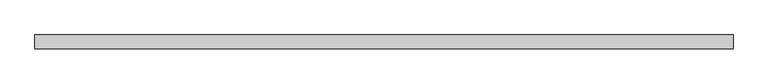
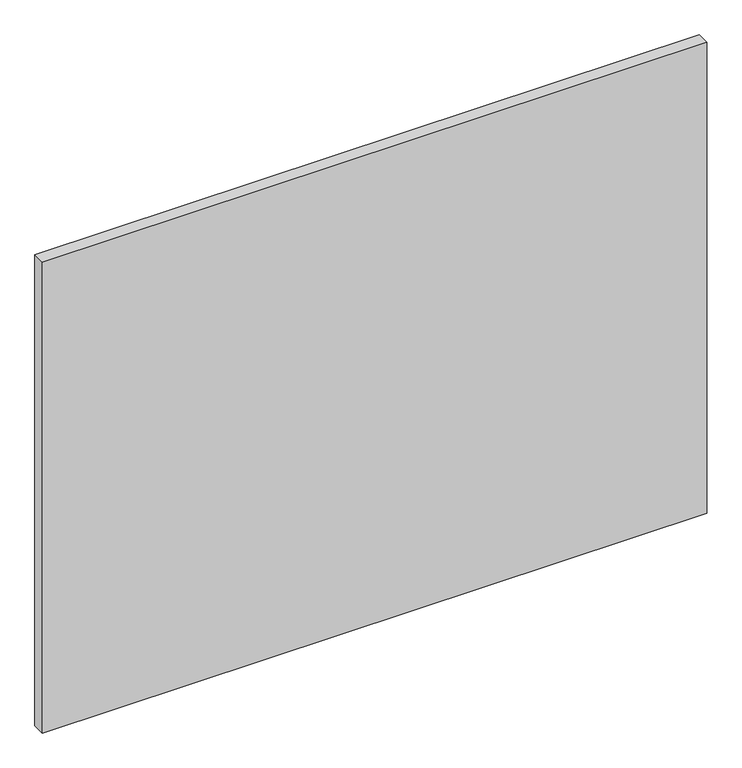
"""IFC4 building model written with IfcOpenShell, lengths in millimetres: plate geometry."""

from ifc_helpers import new_model, si_unit, origin, origin_with_axes, place, context, project, spatial, polyline, outline, extrude, source, transform, mapped, element, save


def plate_5694534c(model_context):
    return source(origin(), model_context, "Body", "SweptSolid", [
        extrude(outline(polyline([(893.8125, -17.5), (-893.8125, -17.5), (-893.8125, 17.5), (893.8125, 17.5), (893.8125, -17.5)])), origin_with_axes(), (0.0, 0.0, 1.0), 1339.3375),
    ])


if __name__ == "__main__":
    model = new_model("IFC4")
    model_context = context("Model", 3, world=origin())
    ifc_project = project(units=[si_unit("LENGTHUNIT", "METRE", prefix="MILLI")], contexts=[model_context])
    site = spatial("IfcSite", under=ifc_project)
    building = spatial("IfcBuilding", under=site)
    placement = place(None, origin())
    plate_shape = plate_5694534c(model_context)
    element("IfcPlate", 1, at=placement, inside=building, context=model_context, shape_type="MappedRepresentation", body=[
        mapped(plate_shape, transform((0.0, 0.0, 0.0), x_axis=(1.0, 0.0, 0.0), y_axis=(0.0, 1.0, 0.0), z_axis=(0.0, 0.0, 1.0))),
    ])
    save(model, "model.ifc")
